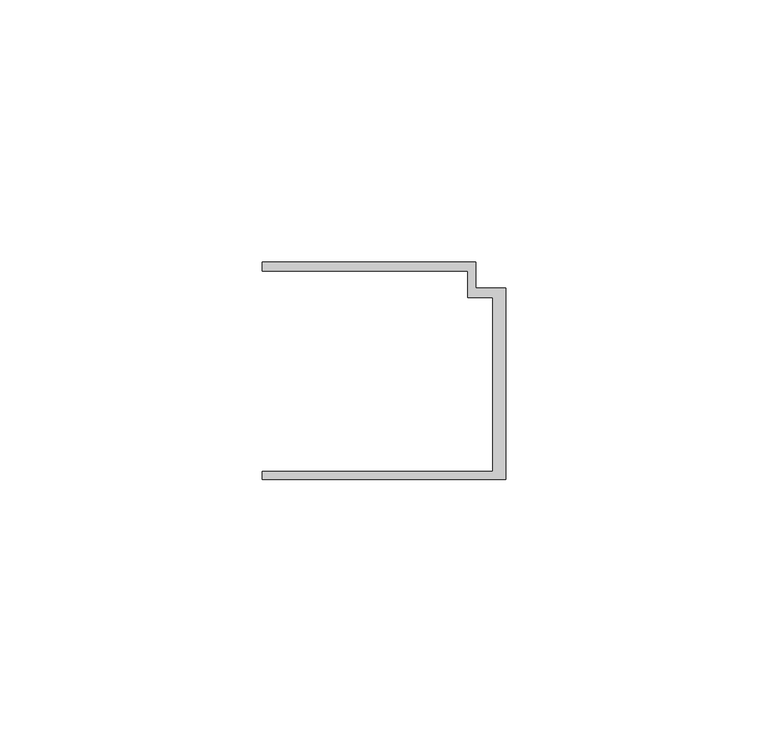
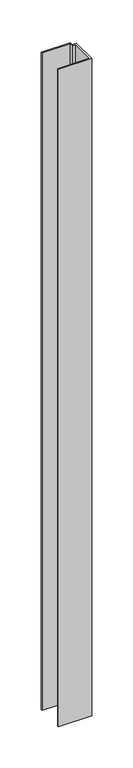
"""IFC4 building model written with IfcOpenShell, lengths in millimetres: member geometry."""

from ifc_helpers import new_model, si_unit, frame, origin, place, context, project, spatial, polyline, outline, extrude, source, transform, mapped, element, save


def member_30c69778(model_context):
    return source(origin(), model_context, "Body", "SweptSolid", [
        extrude(outline(polyline([(-46.3, -19.2), (-2.4, -19.2), (-2.4, 14.0), (-7.2, 14.0), (-7.2, 19.0), (-46.3, 19.0), (-46.3, 20.7), (-5.6999992, 20.7), (-5.6999992, 15.8), (0.0, 15.8), (0.0, -20.7), (-46.3, -20.7), (-46.3, -19.2)])), frame((0.0, 0.0, -970.9811064), z_axis=(0.0, 0.0, 1.0), x_axis=(1.0, 0.0, 0.0)), (0.0, 0.0, 1.0), 970.9811064),
    ])


if __name__ == "__main__":
    model = new_model("IFC4")
    model_context = context("Model", 3, world=origin())
    ifc_project = project(units=[si_unit("LENGTHUNIT", "METRE", prefix="MILLI")], contexts=[model_context])
    site = spatial("IfcSite", under=ifc_project)
    building = spatial("IfcBuilding", under=site)
    placement = place(None, origin())
    member_shape = member_30c69778(model_context)
    element("IfcMember", 1, at=placement, inside=building, context=model_context, shape_type="MappedRepresentation", body=[
        mapped(member_shape, transform((0.0, 0.0, 0.0), x_axis=(1.0, 0.0, 0.0), y_axis=(0.0, 1.0, 0.0), z_axis=(0.0, 0.0, 1.0))),
    ])
    save(model, "model.ifc")
